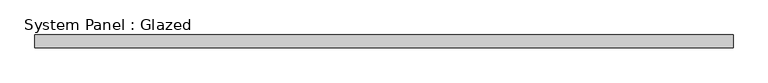
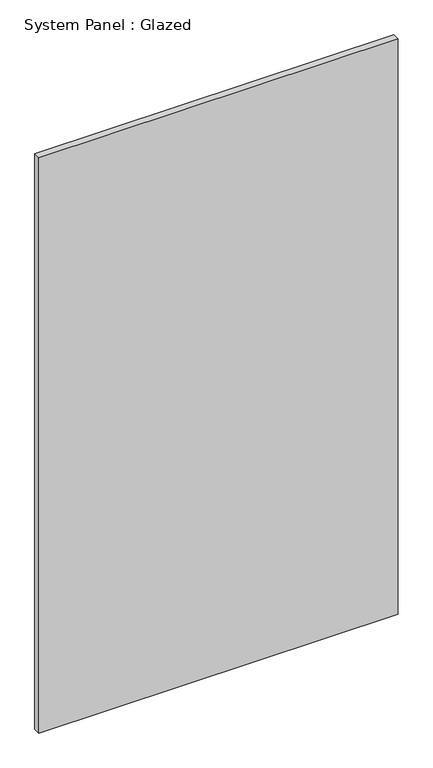
"""IFC4 building model written with IfcOpenShell, lengths in millimetres: plate geometry, System Panel : Glazed."""

from ifc_helpers import new_model, si_unit, origin, origin_with_axes, place, context, project, spatial, polyline, outline, extrude, source, transform, mapped, element, save


def system_panel_glazed_0b38146d(model_context):
    return source(origin(), model_context, "Body", "SweptSolid", [
        extrude(outline(polyline([(692.15, -44.45), (-692.15, -44.45), (-692.15, -19.05), (692.15, -19.05), (692.15, -44.45)])), origin_with_axes(), (0.0, 0.0, 1.0), 2343.15),
    ])


if __name__ == "__main__":
    model = new_model("IFC4")
    model_context = context("Model", 3, world=origin())
    ifc_project = project(units=[si_unit("LENGTHUNIT", "METRE", prefix="MILLI")], contexts=[model_context])
    site = spatial("IfcSite", under=ifc_project)
    building = spatial("IfcBuilding", under=site)
    placement = place(None, origin())
    system_panel_glazed_shape = system_panel_glazed_0b38146d(model_context)
    element("IfcPlate", 1, ObjectType="System Panel : Glazed", at=placement, inside=building, context=model_context, shape_type="MappedRepresentation", body=[
        mapped(system_panel_glazed_shape, transform((0.0, 0.0, 0.0), x_axis=(1.0, 0.0, 0.0), y_axis=(0.0, 1.0, 0.0), z_axis=(0.0, 0.0, 1.0))),
    ])
    save(model, "model.ifc")
